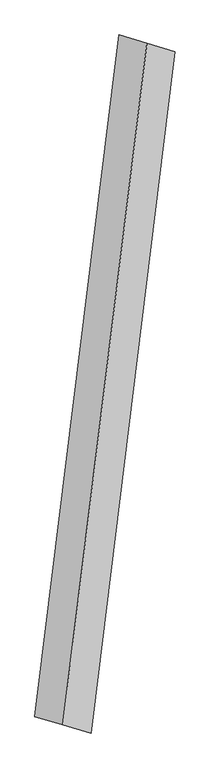
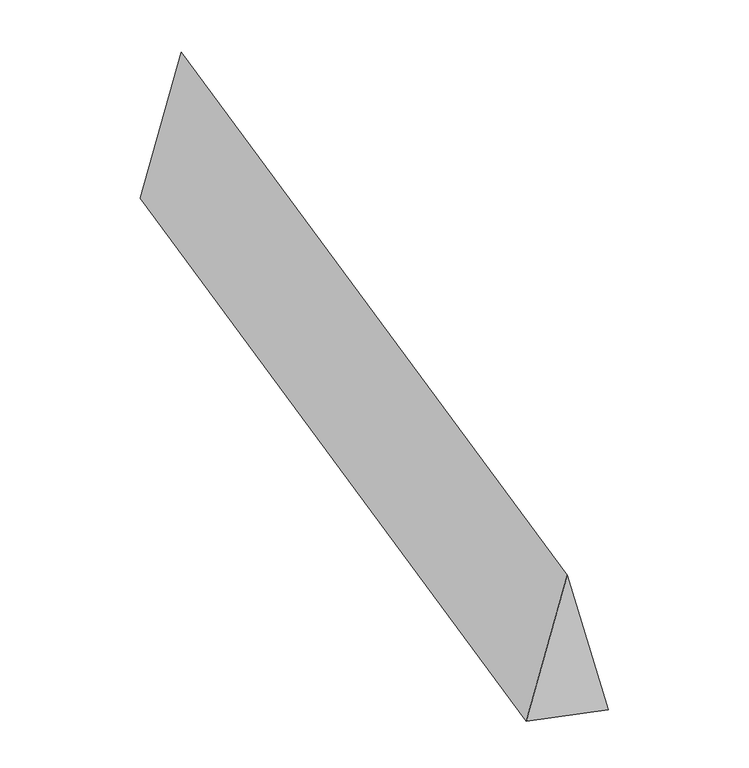
"""IFC4 building model written with IfcOpenShell, lengths in millimetres: proxy geometry."""

from ifc_helpers import new_model, si_unit, origin, place, context, project, spatial, faceted_brep, source, transform, mapped, element, save


def generic_models_db2d96e0(model_context):
    return source(origin(), model_context, "Body", "Brep", [
        faceted_brep([(-248.7933134, -2011.8997674, 700.0), (-83.1362535, -2060.8124369, 0.0), (414.4503733, 1962.9870979, 0.0), (248.7933134, 2011.8997674, 700.0), (-414.4503733, -1962.9870979, 0.0), (83.1362535, 2060.8124369, 0.0)], [[[0, 1, 2, 3]], [[1, 4, 5, 2]], [[4, 0, 3, 5]], [[3, 2, 5]], [[0, 4, 1]]]),
    ])


if __name__ == "__main__":
    model = new_model("IFC4")
    model_context = context("Model", 3, world=origin())
    ifc_project = project(units=[si_unit("LENGTHUNIT", "METRE", prefix="MILLI")], contexts=[model_context])
    site = spatial("IfcSite", under=ifc_project)
    building = spatial("IfcBuilding", under=site)
    placement = place(None, origin())
    generic_models_shape = generic_models_db2d96e0(model_context)
    element("IfcBuildingElementProxy", 1, Name="Generic Models", at=placement, inside=building, context=model_context, shape_type="MappedRepresentation", body=[
        mapped(generic_models_shape, transform((0.0, 0.0, 0.0), x_axis=(1.0, 0.0, 0.0), y_axis=(0.0, 1.0, 0.0), z_axis=(0.0, 0.0, 1.0))),
    ])
    save(model, "model.ifc")
